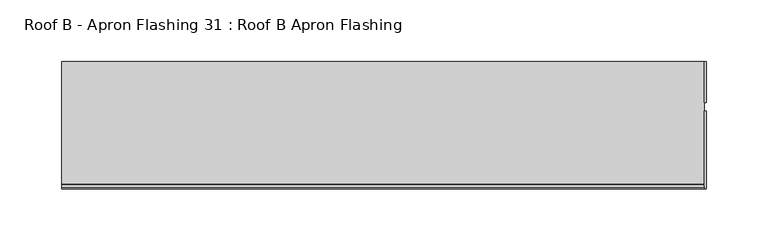
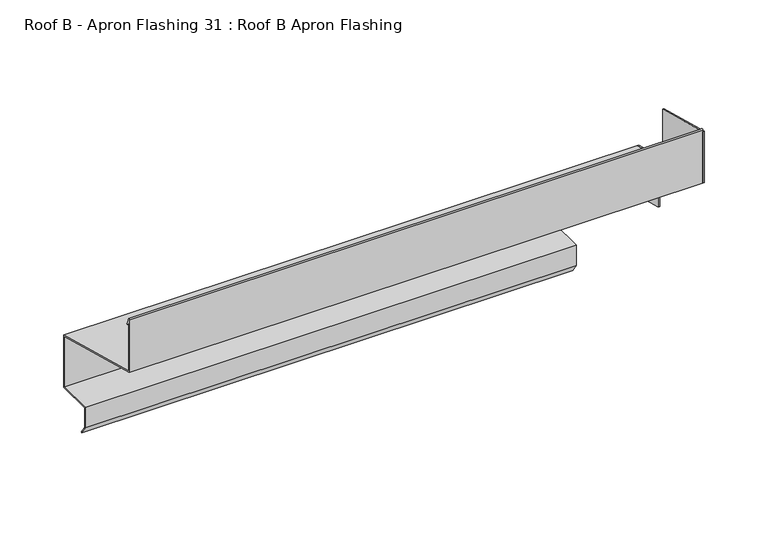
"""IFC4 building model written with IfcOpenShell, lengths in millimetres: proxy geometry, Roof B - Apron Flashing 31 : Roof B Apron Flashing."""

from ifc_helpers import new_model, si_unit, frame, origin, place, context, project, spatial, polyline, circle_curve, outline, extrude, source, transform, mapped, element, save
from ifc_brep_helpers import plane_surface, cylinder_surface, advanced_brep


def roof_b_apron_flashing_31_roof_b_apron_flashing_289009f5(model_context):
    return source(origin(), model_context, "Body", "SolidModel", [
        extrude(outline(polyline([(10660.2773132, -242.0096237), (10660.2773132, -292.0096237), (10659.2776076, -292.0096237), (10659.2776076, -289.5944306), (10627.4023812, -281.0534894), (10627.4023812, -233.2008122), (10660.2773132, -242.0096237)])), frame((12286.0219031, 0.0, 0.0), z_axis=(1.0, 0.0, 0.0), x_axis=(0.0, 1.0, 0.0)), (0.0, 0.0, 1.0), 1.3240587),
        extrude(outline(polyline([(10620.4882944, -232.3834644), (10557.4043312, -215.4801674), (10557.4043312, -166.2122183), (10620.4882944, -183.1155152), (10620.4882944, -232.3834644)])), frame((12286.0219031, 0.0, 0.0), z_axis=(1.0, 0.0, 0.0), x_axis=(0.0, 1.0, 0.0)), (0.0, 0.0, 1.0), 1.3240587),
        advanced_brep(
        [(12286.0219031, 10660.2773132, -242.0096237), (12286.0219031, 10558.4043312, -214.7128405), (12286.0219031, 10558.4043312, -166.5489273), (12286.0219031, 10560.2002452, -170.9939705), (12286.0219031, 10561.1274291, -170.6193639), (12286.0219031, 10558.7129742, -164.6433784), (12286.0219031, 10557.4043312, -164.8977528), (12286.0219031, 10557.4043312, -215.4801674), (12286.0219031, 10659.2773132, -242.7769507), (12286.0219031, 10659.2776076, -292.0096237), (12286.0219031, 10660.2773132, -292.0096237), (11766.9913177, 10660.2773132, -242.0096237), (11766.9913177, 10660.2773132, -292.0096237), (11766.9913177, 10627.6739483, -292.0096237), (11766.9913177, 10627.6739483, -310.3959053), (11766.9913177, 10632.884848, -317.8378413), (11766.9913177, 10632.065696, -318.4114178), (11766.9913177, 10626.6739483, -310.7112041), (11766.9913177, 10626.6739483, -291.0096237), (11766.9913177, 10659.2773132, -291.0096237), (11766.9913177, 10659.2773132, -242.7769507), (11766.9913177, 10557.4043312, -215.4801674), (11766.9913177, 10557.4043312, -164.8977528), (11766.9913177, 10558.7129742, -164.6433784), (11766.9913177, 10561.1274291, -170.6193639), (11766.9913177, 10560.2002452, -170.9939705), (11766.9913177, 10558.4043312, -166.5489273), (11766.9913177, 10558.4043312, -214.7128405), (12211.4791786, 10659.2773132, -291.0096237), (12211.4791786, 10659.2773132, -292.0096237), (12211.4791786, 10626.6739483, -291.0096237), (12211.4791786, 10626.6739483, -310.7112041), (12211.4791786, 10627.6739483, -292.0096237), (12211.4791786, 10627.6739483, -310.3959053), (12211.4791786, 10632.065696, -318.4114178), (12211.4791786, 10632.884848, -317.8378413)],
        [
            (0, 1),
            (1, 2),
            (2, 3),
            (3, 4, circle_curve(frame((12286.0219031, 10560.6638371, -170.8066672), z_axis=(1.0, 0.0, 0.0), x_axis=(0.0, 0.24192189559966418, 0.9702957262759974)), 0.5)),
            (4, 5),
            (5, 6, circle_curve(frame((12286.0219031, 10558.0833754, -164.8977528), z_axis=(1.0, 0.0, 0.0), x_axis=(0.0, 0.0, 1.0)), 0.6790442)),
            (6, 7),
            (7, 8),
            (8, 9),
            (9, 10),
            (10, 0),
            (11, 12),
            (12, 13),
            (13, 14),
            (14, 15),
            (15, 16),
            (16, 17),
            (17, 18),
            (18, 19),
            (19, 20),
            (20, 21),
            (21, 22),
            (22, 23, circle_curve(frame((11766.9913177, 10558.0833754, -164.8977528), z_axis=(-1.0, 0.0, 0.0), x_axis=(0.0, 0.0, 1.0)), 0.6790442)),
            (23, 24),
            (24, 25, circle_curve(frame((11766.9913177, 10560.6638371, -170.8066672), z_axis=(-1.0, 0.0, 0.0), x_axis=(0.0, 0.24192189559966418, 0.9702957262759974)), 0.5)),
            (25, 26),
            (26, 27),
            (27, 11),
            (0, 11),
            (27, 1),
            (26, 2),
            (25, 3),
            (24, 4),
            (23, 5),
            (22, 6),
            (21, 7),
            (20, 8),
            (19, 28),
            (28, 29),
            (29, 9),
            (18, 30),
            (30, 28),
            (17, 31),
            (31, 30),
            (13, 32),
            (32, 33),
            (33, 14),
            (12, 10),
            (29, 32),
            (16, 34),
            (34, 31),
            (15, 35),
            (35, 34),
            (33, 35),
        ],
        [
            plane_surface(frame((12286.0219031, 10461.8722381, -298.0327356), z_axis=(1.0, 0.0, 0.0), x_axis=(0.0, 1.0, 0.0))),
            plane_surface(frame((11766.9913177, 10461.8722381, -298.0327356), z_axis=(-1.0, 0.0, 0.0), x_axis=(0.0, 1.0, 0.0))),
            plane_surface(frame((12286.0219031, 10660.2773132, -242.0096237), z_axis=(0.0, 0.25881904510252063, 0.9659258262890684), x_axis=(-1.0, 0.0, 0.0))),
            plane_surface(frame((12286.0219031, 10558.4043312, -214.7128405), z_axis=(0.0, 1.0, 0.0), x_axis=(-1.0, 0.0, 0.0))),
            plane_surface(frame((12286.0219031, 10558.4043312, -166.5489273), z_axis=(0.0, -0.9271838545667873, -0.3746065934159123), x_axis=(-1.0, 0.0, 0.0))),
            cylinder_surface(frame((12286.0219031, 10560.6638371, -170.8066672), z_axis=(1.0, 0.0, 0.0), x_axis=(0.0, 0.24192189559966418, 0.9702957262759974)), 0.5),
            plane_surface(frame((12286.0219031, 10561.1274291, -170.6193639), z_axis=(0.0, 0.9271838545667873, 0.3746065934159123), x_axis=(-1.0, 0.0, 0.0))),
            cylinder_surface(frame((12286.0219031, 10558.0833754, -164.8977528), z_axis=(1.0, 0.0, 0.0), x_axis=(0.0, 0.0, 1.0)), 0.6790442),
            plane_surface(frame((12286.0219031, 10557.4043312, -164.8977528), z_axis=(0.0, -1.0, 0.0), x_axis=(-1.0, 0.0, 0.0))),
            plane_surface(frame((12286.0219031, 10557.4043312, -215.4801674), z_axis=(0.0, -0.2588190451025208, -0.9659258262890683), x_axis=(-1.0, 0.0, 0.0))),
            plane_surface(frame((12286.0219031, 10659.2773132, -242.7769507), z_axis=(0.0, -1.0, 0.0), x_axis=(-1.0, 0.0, 0.0))),
            plane_surface(frame((12286.0219031, 10659.2773132, -291.0096237), z_axis=(0.0, 0.0, 1.0), x_axis=(-1.0, 0.0, 0.0))),
            plane_surface(frame((12286.0219031, 10626.6739483, -291.0096237), z_axis=(0.0, -1.0, 0.0), x_axis=(-1.0, 0.0, 0.0))),
            plane_surface(frame((12286.0219031, 10627.6739483, -310.3959053), z_axis=(0.0, 1.0, 0.0), x_axis=(-1.0, 0.0, 0.0))),
            plane_surface(frame((12286.0219031, 10627.6739483, -292.0096237), z_axis=(0.0, 0.0, -1.0), x_axis=(-1.0, 0.0, 0.0))),
            plane_surface(frame((12286.0219031, 10660.2773132, -292.0096237), z_axis=(0.0, 1.0, 0.0), x_axis=(-1.0, 0.0, 0.0))),
            plane_surface(frame((12286.0219031, 10626.6739483, -310.7112041), z_axis=(0.0, -0.8191520442889942, -0.5735764363510427), x_axis=(-1.0, 0.0, 0.0))),
            plane_surface(frame((12286.0219031, 10632.065696, -318.4114178), z_axis=(0.0, 0.5735764363510357, -0.8191520442889991), x_axis=(-1.0, 0.0, 0.0))),
            plane_surface(frame((12286.0219031, 10632.884848, -317.8378413), z_axis=(0.0, 0.8191520442889942, 0.5735764363510427), x_axis=(-1.0, 0.0, 0.0))),
            plane_surface(frame((12211.4791786, 10988.4739162, -605.2282213), z_axis=(1.0, 0.0, 0.0), x_axis=(0.0, -0.9659258262890683, 0.2588190451025206))),
        ],
        [
            (0, [[1, 2, 3, 4, 5, 6, 7, 8, 9, 10, 11]]),
            (1, [[12, 13, 14, 15, 16, 17, 18, 19, 20, 21, 22, 23, 24, 25, 26, 27, 28]]),
            (2, [[-1, 29, -28, 30]]),
            (3, [[-2, -30, -27, 31]]),
            (4, [[-3, -31, -26, 32]]),
            (5, [[-4, -32, -25, 33]]),
            (6, [[-5, -33, -24, 34]]),
            (7, [[-6, -34, -23, 35]]),
            (8, [[-7, -35, -22, 36]]),
            (9, [[-8, -36, -21, 37]]),
            (10, [[-20, 38, 39, 40, -9, -37]]),
            (11, [[-19, 41, 42, -38]]),
            (12, [[-18, 43, 44, -41]]),
            (13, [[-14, 45, 46, 47]]),
            (14, [[-13, 48, -10, -40, 49, -45]]),
            (15, [[-11, -48, -12, -29]]),
            (16, [[-17, 50, 51, -43]]),
            (17, [[-16, 52, 53, -50]]),
            (18, [[-15, -47, 54, -52]]),
            (19, [[-39, -42, -44, -51, -53, -54, -46, -49]]),
        ],
    ),
    ])


if __name__ == "__main__":
    model = new_model("IFC4")
    model_context = context("Model", 3, world=origin())
    ifc_project = project(units=[si_unit("LENGTHUNIT", "METRE", prefix="MILLI")], contexts=[model_context])
    site = spatial("IfcSite", under=ifc_project)
    building = spatial("IfcBuilding", under=site)
    placement = place(None, origin())
    roof_b_apron_flashing_31_roof_b_apron_flashing_shape = roof_b_apron_flashing_31_roof_b_apron_flashing_289009f5(model_context)
    element("IfcBuildingElementProxy", 1, Name="Roof B - Apron Flashing 31 : Roof B Apron Flashing", ObjectType="Roof B - Apron Flashing 31 : Roof B Apron Flashing", at=placement, inside=building, context=model_context, shape_type="MappedRepresentation", body=[
        mapped(roof_b_apron_flashing_31_roof_b_apron_flashing_shape, transform((0.0, 0.0, 0.0), x_axis=(1.0, 0.0, 0.0), y_axis=(0.0, 1.0, 0.0), z_axis=(0.0, 0.0, 1.0))),
    ])
    save(model, "model.ifc")
